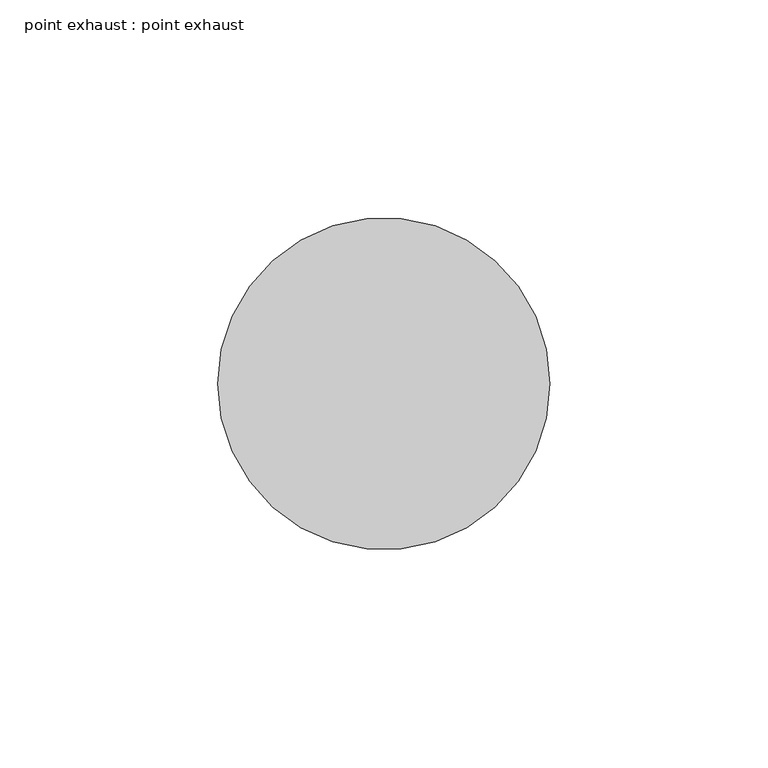
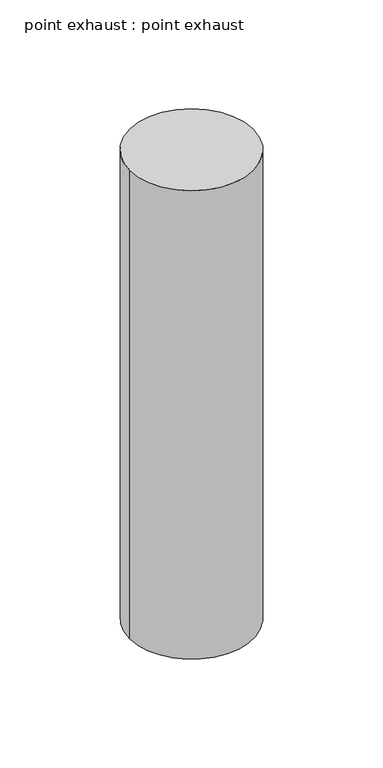
"""IFC4 building model written with IfcOpenShell, lengths in millimetres: proxy geometry, point exhaust : point exhaust."""

from ifc_helpers import new_model, si_unit, point, frame, origin, origin_2d, place, context, project, spatial, circle_curve, trimmed, segment, composite_curve, outline, extrude, source, transform, mapped, element, save


def point_exhaust_point_exhaust_a4f1443d(model_context):
    return source(origin(), model_context, "Body", "SweptSolid", [
        extrude(outline(composite_curve([segment(trimmed(circle_curve(origin_2d(), 38.1), [point((-38.1, 0.0))], [point((38.1, 0.0))], False, "CARTESIAN"), True, "CONTINUOUS"), segment(trimmed(circle_curve(origin_2d(), 38.1), [point((38.1, 0.0))], [point((-38.1, 0.0))], False, "CARTESIAN"), True, "CONTINUOUS")], self_intersect=False)), frame((0.0, 0.0, 2286.0), z_axis=(0.0, 0.0, 1.0), x_axis=(1.0, 0.0, 0.0)), (0.0, 0.0, 1.0), 304.8),
    ])


if __name__ == "__main__":
    model = new_model("IFC4")
    model_context = context("Model", 3, world=origin())
    ifc_project = project(units=[si_unit("LENGTHUNIT", "METRE", prefix="MILLI")], contexts=[model_context])
    site = spatial("IfcSite", under=ifc_project)
    building = spatial("IfcBuilding", under=site)
    placement = place(None, origin())
    point_exhaust_point_exhaust_shape = point_exhaust_point_exhaust_a4f1443d(model_context)
    element("IfcBuildingElementProxy", 1, Name="point exhaust : point exhaust", ObjectType="point exhaust : point exhaust", at=placement, inside=building, context=model_context, shape_type="MappedRepresentation", body=[
        mapped(point_exhaust_point_exhaust_shape, transform((0.0, 0.0, 0.0), x_axis=(1.0, 0.0, 0.0), y_axis=(0.0, 1.0, 0.0), z_axis=(0.0, 0.0, 1.0))),
    ])
    save(model, "model.ifc")
